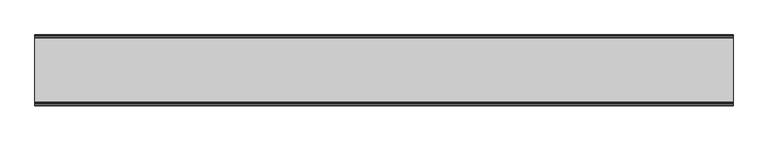
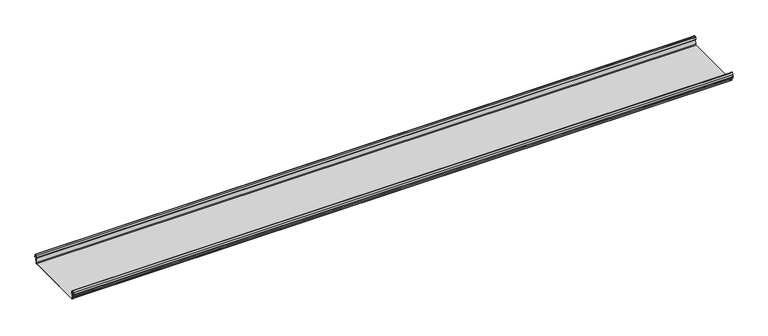
"""IFC4 building model written with IfcOpenShell, lengths in millimetres: beam geometry."""

from ifc_helpers import new_model, si_unit, frame, origin, place, context, project, spatial, polyline, circle_curve, source, transform, mapped, element, save
from ifc_brep_helpers import plane_surface, cylinder_surface, revolved_surface, advanced_brep


def beam_a1f482e0(model_context):
    return source(origin(), model_context, "Body", "AdvancedBrep", [
        advanced_brep(
        [(1741.7754367, 174.5298471, 17.4730576), (1741.7754367, 169.9958217, 21.2486363), (1741.7754367, 165.4890072, 17.6093124), (1741.7754367, 163.0420077, 6.2503755), (1741.7754367, 164.7006671, 3.7959761), (1741.7754367, 165.8698319, 2.0849359), (1741.7754367, 164.3793103, -21.3247551), (1741.7754367, 160.6848586, -24.7896475), (1741.7754367, -159.5640942, -24.7896475), (1741.7754367, -163.2568715, -21.3207217), (1741.7754367, -164.7263748, 2.1632779), (1741.7754367, -164.0984471, 3.0966958), (1741.7754367, -161.8868093, 6.1624874), (1741.7754367, -162.770348, 17.3389905), (1741.7754367, -170.0, 24.0196704), (1741.7754367, -177.229652, 17.3389905), (1741.7754367, -178.1131907, 6.1624874), (1741.7754367, -175.9015529, 3.0966958), (1741.7754367, -175.2736252, 2.1632779), (1741.7754367, -175.6653397, -4.0966758), (1741.7754367, -174.6633838, -4.0966758), (1741.7754367, -174.255975, 2.4140875), (1741.7754367, -175.661391, 4.0675496), (1741.7754367, -177.1158116, 6.08368), (1741.7754367, -176.2261211, 17.3379999), (1741.7754367, -170.0, 23.0196704), (1741.7754367, -163.767144, 17.2589936), (1741.7754367, -162.8795452, 6.0037927), (1741.7754367, -164.338609, 4.0675496), (1741.7754367, -165.744025, 2.4140875), (1741.7754367, -164.2549195, -21.3831743), (1741.7754367, -159.5640942, -25.7896475), (1741.7754367, 160.6846135, -25.7896475), (1741.7754367, 165.3772895, -21.3882975), (1741.7754367, 166.868024, 2.0247376), (1741.7754367, 164.9644432, 4.7613501), (1741.7754367, 164.0277999, 6.0779003), (1741.7754367, 166.4434849, 17.2822335), (1741.7754367, 170.0063307, 20.2496221), (1741.7754367, 173.4803249, 17.6539317), (1741.7754367, 175.5075757, 6.5459412), (1741.7754367, 176.5074356, 6.7299959), (-1741.7754367, 174.5298471, 17.4730576), (-1741.7754367, 176.5074356, 6.7299959), (-1741.7754367, 175.5075757, 6.5459412), (-1741.7754367, 173.4803249, 17.6539317), (-1741.7754367, 170.0063307, 20.2496221), (-1741.7754367, 166.4434849, 17.2822335), (-1741.7754367, 164.0277999, 6.0779003), (-1741.7754367, 164.9644432, 4.7613501), (-1741.7754367, 166.868024, 2.0247376), (-1741.7754367, 165.3772895, -21.3882975), (-1741.7754367, 160.6846135, -25.7896475), (-1741.7754367, -159.5640942, -25.7896475), (-1741.7754367, -164.2549195, -21.3831743), (-1741.7754367, -165.744025, 2.4140875), (-1741.7754367, -164.338609, 4.0675496), (-1741.7754367, -162.8795452, 6.0037927), (-1741.7754367, -163.767144, 17.2589936), (-1741.7754367, -170.0, 23.0196704), (-1741.7754367, -176.2261211, 17.3379999), (-1741.7754367, -177.1158116, 6.08368), (-1741.7754367, -175.661391, 4.0675496), (-1741.7754367, -174.255975, 2.4140875), (-1741.7754367, -174.6633838, -4.0966758), (-1741.7754367, -175.6653397, -4.0966758), (-1741.7754367, -175.2736252, 2.1632779), (-1741.7754367, -175.9015529, 3.0966958), (-1741.7754367, -178.1066021, 6.2458324), (-1741.7754367, -177.229652, 17.3389905), (-1741.7754367, -170.0, 24.0196704), (-1741.7754367, -162.770348, 17.3389905), (-1741.7754367, -161.8868093, 6.1624874), (-1741.7754367, -164.0984471, 3.0966958), (-1741.7754367, -164.7263748, 2.1632779), (-1741.7754367, -163.2568715, -21.3207217), (-1741.7754367, -159.5640942, -24.7896475), (-1741.7754367, 160.6848586, -24.7896475), (-1741.7754367, 164.3793103, -21.3247551), (-1741.7754367, 165.8698319, 2.0849359), (-1741.7754367, 164.7006671, 3.7959761), (-1741.7754367, 163.0420077, 6.2503755), (-1741.7754367, 165.4890072, 17.6093124), (-1741.7754367, 169.9958217, 21.2486363)],
        [
            (0, 1, circle_curve(frame((1741.7754367, 169.9958217, 16.6384317), z_axis=(1.0, 0.0, 0.0), x_axis=(0.0, 1.0, 0.0)), 4.6102046)),
            (1, 2, circle_curve(frame((1741.7754367, 169.9958217, 16.6384317), z_axis=(1.0, 0.0, 0.0), x_axis=(0.0, 0.2105938444020083, 0.9775736456656259)), 4.6102046)),
            (2, 3),
            (3, 4, circle_curve(frame((1741.7754367, 165.4262002, 6.073937), z_axis=(1.0, 0.0, 0.0), x_axis=(0.0, -0.9528378408797884, 0.30347989881958104)), 2.3907121)),
            (4, 5, circle_curve(frame((1741.7754367, 164.1897695, 2.1919074), z_axis=(-1.0, 0.0, 0.0), x_axis=(0.0, 0.06354246328302078, 0.9979791357337717)), 1.6834645)),
            (5, 6),
            (6, 7, circle_curve(frame((1741.7754367, 160.6867875, -21.089648), z_axis=(-1.0, 0.0, 0.0), x_axis=(0.0, 0.9999998641088232, -0.0005213274739325337)), 3.7)),
            (7, 8),
            (8, 9, circle_curve(frame((1741.7754367, -159.5640942, -21.0896475), z_axis=(-1.0, 0.0, 0.0), x_axis=(0.0, 0.062452508687223206, -0.9980479368039755)), 3.7)),
            (9, 10),
            (10, 11, circle_curve(frame((1741.7754367, -163.8044049, 2.2209698), z_axis=(-1.0, 0.0, 0.0), x_axis=(0.0, -0.9479881328261025, -0.31830567073314897)), 0.9237732)),
            (11, 12, circle_curve(frame((1741.7754367, -164.7984694, 5.9323112), z_axis=(1.0, 0.0, 0.0), x_axis=(0.0, 0.07880737243916666, -0.9968898625471294)), 2.9207441)),
            (12, 13),
            (13, 14, circle_curve(frame((1741.7754367, -170.0, 16.7674631), z_axis=(1.0, 0.0, 0.0), x_axis=(0.0, 1.0, 0.0)), 7.2522073)),
            (14, 15, circle_curve(frame((1741.7754367, -170.0, 16.7674631), z_axis=(1.0, 0.0, 0.0), x_axis=(0.0, 0.07880737243912425, 0.9968898625471327)), 7.2522073)),
            (15, 16),
            (16, 17, circle_curve(frame((1741.7754367, -175.2001089, 5.9344165), z_axis=(1.0, 0.0, 0.0), x_axis=(0.0, -0.9707819351134729, 0.2399634023290655)), 2.9231288)),
            (17, 18, circle_curve(frame((1741.7754367, -176.1025472, 2.2835649), z_axis=(-1.0, 0.0, 0.0), x_axis=(0.0, 0.14360843272178178, 0.9896345881441257)), 0.8376041)),
            (18, 19),
            (19, 20, circle_curve(frame((1741.7754367, -175.1643617, -4.0966758), z_axis=(1.0, 0.0, 0.0), x_axis=(0.0, 0.0, -1.0)), 0.5009779)),
            (20, 21),
            (21, 22, circle_curve(frame((1741.7754367, -176.1062911, 2.2653702), z_axis=(1.0, 0.0, 0.0), x_axis=(0.0, 0.9708537722163966, -0.23967259537375799)), 1.856283)),
            (22, 23, circle_curve(frame((1741.7754367, -175.2010412, 5.9323112), z_axis=(-1.0, 0.0, 0.0), x_axis=(0.0, -0.07880737243914376, -0.9968898625471312)), 1.9207441)),
            (23, 24),
            (24, 25, circle_curve(frame((1741.7754367, -170.0770494, 16.8518958), z_axis=(-1.0, 0.0, 0.0), x_axis=(0.0, -0.9999219808421378, 0.012491286112139365)), 6.1682558)),
            (25, 26, circle_curve(frame((1741.7754367, -170.0791743, 16.6817991), z_axis=(-1.0, 0.0, 0.0), x_axis=(0.0, -0.09106361391821856, 0.9958450774192508)), 6.3383658)),
            (26, 27),
            (27, 28, circle_curve(frame((1741.7754367, -164.70299, 5.8599936), z_axis=(-1.0, 0.0, 0.0), x_axis=(0.0, 0.9799562955839813, 0.19921259685401593)), 1.8291061)),
            (28, 29, circle_curve(frame((1741.7754367, -163.9886548, 2.3460727), z_axis=(1.0, 0.0, 0.0), x_axis=(0.0, 0.03871763325448635, 0.9992501913310655)), 1.7566874)),
            (29, 30),
            (30, 31, circle_curve(frame((1741.7754367, -159.5640942, -21.0896475), z_axis=(1.0, 0.0, 0.0), x_axis=(0.0, -1.0, 0.0)), 4.7)),
            (31, 32),
            (32, 33, circle_curve(frame((1741.7754367, 160.6846135, -21.0873301), z_axis=(1.0, 0.0, 0.0), x_axis=(0.0, -0.06400407594283139, -0.997949637137418)), 4.7023174)),
            (33, 34),
            (34, 35, circle_curve(frame((1741.7754367, 164.1939121, 2.1950013), z_axis=(1.0, 0.0, 0.0), x_axis=(0.0, 0.9577619201002135, -0.2875623487279797)), 2.6795268)),
            (35, 36, circle_curve(frame((1741.7754367, 165.0972859, 5.8473161), z_axis=(-1.0, 0.0, 0.0), x_axis=(0.0, -0.210759855052358, -0.9775378680635902)), 1.094061)),
            (36, 37),
            (37, 38, circle_curve(frame((1741.7754367, 170.0063307, 16.627032), z_axis=(-1.0, 0.0, 0.0), x_axis=(0.0, -1.0, 0.0)), 3.6225901)),
            (38, 39, circle_curve(frame((1741.7754367, 170.0063307, 16.627032), z_axis=(-1.0, 0.0, 0.0), x_axis=(0.0, -0.2834711363957483, 0.9589807687490417)), 3.6225901)),
            (39, 40),
            (40, 41, circle_curve(frame((1741.7754367, 176.0075057, 6.6379685), z_axis=(1.0, 0.0, 0.0), x_axis=(0.0, 0.18103878268247353, -0.9834759575937014)), 0.5083296)),
            (41, 0),
            (42, 43),
            (43, 44, circle_curve(frame((-1741.7754367, 176.0075057, 6.6379685), z_axis=(-1.0, 0.0, 0.0), x_axis=(0.0, 0.18103878268247353, -0.9834759575937014)), 0.5083296)),
            (44, 45),
            (45, 46, circle_curve(frame((-1741.7754367, 170.0063307, 16.627032), z_axis=(1.0, 0.0, 0.0), x_axis=(0.0, -0.2834711363957483, 0.9589807687490417)), 3.6225901)),
            (46, 47, circle_curve(frame((-1741.7754367, 170.0063307, 16.627032), z_axis=(1.0, 0.0, 0.0), x_axis=(0.0, -1.0, 0.0)), 3.6225901)),
            (47, 48),
            (48, 49, circle_curve(frame((-1741.7754367, 165.0972859, 5.8473161), z_axis=(1.0, 0.0, 0.0), x_axis=(0.0, -0.210759855052358, -0.9775378680635902)), 1.094061)),
            (49, 50, circle_curve(frame((-1741.7754367, 164.1939121, 2.1950013), z_axis=(-1.0, 0.0, 0.0), x_axis=(0.0, 0.9577619201002135, -0.2875623487279797)), 2.6795268)),
            (50, 51),
            (51, 52, circle_curve(frame((-1741.7754367, 160.6846135, -21.0873301), z_axis=(-1.0, 0.0, 0.0), x_axis=(0.0, -0.06400407594283139, -0.997949637137418)), 4.7023174)),
            (52, 53),
            (53, 54, circle_curve(frame((-1741.7754367, -159.5640942, -21.0896475), z_axis=(-1.0, 0.0, 0.0), x_axis=(0.0, -1.0, 0.0)), 4.7)),
            (54, 55),
            (55, 56, circle_curve(frame((-1741.7754367, -163.9886548, 2.3460727), z_axis=(-1.0, 0.0, 0.0), x_axis=(0.0, 0.03871763325448635, 0.9992501913310655)), 1.7566874)),
            (56, 57, circle_curve(frame((-1741.7754367, -164.70299, 5.8599936), z_axis=(1.0, 0.0, 0.0), x_axis=(0.0, 0.9799562955839813, 0.19921259685401593)), 1.8291061)),
            (57, 58),
            (58, 59, circle_curve(frame((-1741.7754367, -170.0791743, 16.6817991), z_axis=(1.0, 0.0, 0.0), x_axis=(0.0, -0.09106361391821856, 0.9958450774192508)), 6.3383658)),
            (59, 60, circle_curve(frame((-1741.7754367, -170.0770494, 16.8518958), z_axis=(1.0, 0.0, 0.0), x_axis=(0.0, -0.9999219808421378, 0.012491286112139365)), 6.1682558)),
            (60, 61),
            (61, 62, circle_curve(frame((-1741.7754367, -175.2010412, 5.9323112), z_axis=(1.0, 0.0, 0.0), x_axis=(0.0, -0.07880737243914376, -0.9968898625471312)), 1.9207441)),
            (62, 63, circle_curve(frame((-1741.7754367, -176.1062911, 2.2653702), z_axis=(-1.0, 0.0, 0.0), x_axis=(0.0, 0.9708537722163966, -0.23967259537375799)), 1.856283)),
            (63, 64),
            (64, 65, circle_curve(frame((-1741.7754367, -175.1643617, -4.0966758), z_axis=(-1.0, 0.0, 0.0), x_axis=(0.0, 0.0, -1.0)), 0.5009779)),
            (65, 66),
            (66, 67, circle_curve(frame((-1741.7754367, -176.1025472, 2.2835649), z_axis=(1.0, 0.0, 0.0), x_axis=(0.0, 0.14360843272178178, 0.9896345881441257)), 0.8376041)),
            (67, 68, circle_curve(frame((-1741.7754367, -175.2001089, 5.9344165), z_axis=(-1.0, 0.0, 0.0), x_axis=(0.0, -0.9707819351134729, 0.2399634023290655)), 2.9231288)),
            (68, 69),
            (69, 70, circle_curve(frame((-1741.7754367, -170.0, 16.7674631), z_axis=(-1.0, 0.0, 0.0), x_axis=(0.0, 0.07880737243912425, 0.9968898625471327)), 7.2522073)),
            (70, 71, circle_curve(frame((-1741.7754367, -170.0, 16.7674631), z_axis=(-1.0, 0.0, 0.0), x_axis=(0.0, 1.0, 0.0)), 7.2522073)),
            (71, 72),
            (72, 73, circle_curve(frame((-1741.7754367, -164.7984694, 5.9323112), z_axis=(-1.0, 0.0, 0.0), x_axis=(0.0, 0.07880737243916666, -0.9968898625471294)), 2.9207441)),
            (73, 74, circle_curve(frame((-1741.7754367, -163.8044049, 2.2209698), z_axis=(1.0, 0.0, 0.0), x_axis=(0.0, -0.9479881328261025, -0.31830567073314897)), 0.9237732)),
            (74, 75),
            (75, 76, circle_curve(frame((-1741.7754367, -159.5640942, -21.0896475), z_axis=(1.0, 0.0, 0.0), x_axis=(0.0, 0.062452508687223206, -0.9980479368039755)), 3.7)),
            (76, 77),
            (77, 78, circle_curve(frame((-1741.7754367, 160.6867875, -21.089648), z_axis=(1.0, 0.0, 0.0), x_axis=(0.0, 0.9999998641088232, -0.0005213274739325337)), 3.7)),
            (78, 79),
            (79, 80, circle_curve(frame((-1741.7754367, 164.1897695, 2.1919074), z_axis=(1.0, 0.0, 0.0), x_axis=(0.0, 0.06354246328302078, 0.9979791357337717)), 1.6834645)),
            (80, 81, circle_curve(frame((-1741.7754367, 165.4262002, 6.073937), z_axis=(-1.0, 0.0, 0.0), x_axis=(0.0, -0.9528378408797884, 0.30347989881958104)), 2.3907121)),
            (81, 82),
            (82, 83, circle_curve(frame((-1741.7754367, 169.9958217, 16.6384317), z_axis=(-1.0, 0.0, 0.0), x_axis=(0.0, 0.2105938444020083, 0.9775736456656259)), 4.6102046)),
            (83, 42, circle_curve(frame((-1741.7754367, 169.9958217, 16.6384317), z_axis=(-1.0, 0.0, 0.0), x_axis=(0.0, 1.0, 0.0)), 4.6102046)),
            (42, 0),
            (41, 43),
            (40, 44),
            (39, 45),
            (38, 46),
            (37, 47),
            (36, 48),
            (35, 49),
            (34, 50),
            (33, 51),
            (32, 52),
            (31, 53),
            (30, 54),
            (29, 55),
            (28, 56),
            (27, 57),
            (26, 58),
            (25, 59),
            (24, 60),
            (23, 61),
            (22, 62),
            (21, 63),
            (20, 64),
            (19, 65),
            (18, 66),
            (17, 67),
            (16, 68),
            (15, 69),
            (14, 70),
            (13, 71),
            (12, 72),
            (11, 73),
            (10, 74),
            (9, 75),
            (8, 76),
            (7, 77),
            (6, 78),
            (5, 79),
            (4, 80),
            (3, 81),
            (2, 82),
            (1, 83),
        ],
        [
            plane_surface(frame((1741.7754367, 176.5074356, 6.7299959), z_axis=(1.0000000000000002, 0.0, 0.0), x_axis=(0.0, -0.18103878268248824, 0.9834759575936989))),
            plane_surface(frame((-1741.7754367, 176.5074356, 6.7299959), z_axis=(-1.0000000000000002, 0.0, 0.0), x_axis=(0.0, 0.18103878268248824, -0.9834759575936989))),
            plane_surface(frame((1741.7754367, 175.5186413, 12.1015267), z_axis=(0.0, 0.9834759575937931, 0.18103878268197598), x_axis=(0.0, 0.18103878268197598, -0.9834759575937931))),
            cylinder_surface(frame((1741.7754367, 176.0075057, 6.6379685), z_axis=(-1.0, 0.0, 0.0), x_axis=(0.0, 0.18103878268247353, -0.9834759575937014)), 0.5083296),
            plane_surface(frame((1741.7754367, 174.4939503, 12.0999365), z_axis=(0.0, -0.9837509798366516, -0.17953832368168063), x_axis=(0.0, -0.17953832368168063, 0.9837509798366516))),
            revolved_surface(polyline([(-1741.7754367, 168.979430967657, 20.101026238960667), (1741.7754367, 168.979430967657, 20.101026238960667)]), (1741.7754367, 170.0063307, 16.627032), (-1.0, 0.0, 0.0)),
            revolved_surface(polyline([(-1741.7754367, 166.3837406, 16.627032), (1741.7754367, 166.3837406, 16.627032)]), (1741.7754367, 170.0063307, 16.627032), (-1.0, 0.0, 0.0)),
            plane_surface(frame((1741.7754367, 165.2356424, 11.6800669), z_axis=(0.0, 0.9775378680634891, -0.2107598550528272), x_axis=(0.0, -0.2107598550528272, -0.9775378680634891))),
            revolved_surface(polyline([(-1741.7754367, 164.86670176222157, 4.77783004252848), (1741.7754367, 164.86670176222157, 4.77783004252848)]), (1741.7754367, 165.0972859, 5.8473161), (-1.0, 0.0, 0.0)),
            cylinder_surface(frame((1741.7754367, 164.1939121, 2.1950013), z_axis=(-1.0, 0.0, 0.0), x_axis=(0.0, 0.9577619201002135, -0.2875623487279797)), 2.6795268),
            plane_surface(frame((1741.7754367, 166.1226567, -9.68178), z_axis=(0.0, 0.9979791357337514, -0.06354246328334037), x_axis=(0.0, -0.06354246328334037, -0.9979791357337514))),
            cylinder_surface(frame((1741.7754367, 160.6846135, -21.0873301), z_axis=(-1.0, 0.0, 0.0), x_axis=(0.0, -0.06400407594283139, -0.997949637137418)), 4.7023174),
            plane_surface(frame((1741.7754367, 0.5602597, -25.7896475), z_axis=(0.0, 0.0, -1.0), x_axis=(0.0, -1.0, 0.0))),
            cylinder_surface(frame((1741.7754367, -159.5640942, -21.0896475), z_axis=(-1.0, 0.0, 0.0), x_axis=(0.0, -1.0, 0.0)), 4.7),
            plane_surface(frame((1741.7754367, -164.9994722, -9.4845434), z_axis=(0.0, -0.99804793680396, -0.06245250868747398), x_axis=(0.0, -0.06245250868747398, 0.99804793680396))),
            cylinder_surface(frame((1741.7754367, -163.9886548, 2.3460727), z_axis=(-1.0, 0.0, 0.0), x_axis=(0.0, 0.03871763325448635, 0.9992501913310655)), 1.7566874),
            revolved_surface(polyline([(-1741.7754367, -162.91054596201394, 6.224374576102521), (1741.7754367, -162.91054596201394, 6.224374576102521)]), (1741.7754367, -164.70299, 5.8599936), (-1.0, 0.0, 0.0)),
            plane_surface(frame((1741.7754367, -163.3233446, 11.6313931), z_axis=(0.0, -0.9969048840807634, -0.07861712342689589), x_axis=(0.0, -0.07861712342689589, 0.9969048840807634))),
            revolved_surface(polyline([(-1741.7754367, -170.65636879608365, 22.99382948081253), (1741.7754367, -170.65636879608365, 22.99382948081253)]), (1741.7754367, -170.0791743, 16.6817991), (-1.0, 0.0, 0.0)),
            revolved_surface(polyline([(-1741.7754367, -176.244823957877, 16.928945248010663), (1741.7754367, -176.244823957877, 16.928945248010663)]), (1741.7754367, -170.0770494, 16.8518958), (-1.0, 0.0, 0.0)),
            plane_surface(frame((1741.7754367, -176.6709664, 11.71084), z_axis=(0.0, 0.9968898625470921, -0.07880737243963815), x_axis=(0.0, -0.07880737243963815, -0.9968898625470921))),
            revolved_surface(polyline([(-1741.7754367, -175.35240999564897, 4.017540878162787), (1741.7754367, -175.35240999564897, 4.017540878162787)]), (1741.7754367, -175.2010412, 5.9323112), (-1.0, 0.0, 0.0)),
            cylinder_surface(frame((1741.7754367, -176.1062911, 2.2653702), z_axis=(-1.0, 0.0, 0.0), x_axis=(0.0, 0.9708537722163966, -0.23967259537375799)), 1.856283),
            plane_surface(frame((1741.7754367, -174.4596794, -0.8412941), z_axis=(0.0, 0.9980479368039222, -0.06245250868807452), x_axis=(0.0, -0.06245250868807452, -0.9980479368039222))),
            cylinder_surface(frame((1741.7754367, -175.1643617, -4.0966758), z_axis=(-1.0, 0.0, 0.0), x_axis=(0.0, 0.0, -1.0)), 0.5009779),
            plane_surface(frame((1741.7754367, -175.4694824, -0.9666989), z_axis=(0.0, -0.9980479368040358, 0.06245250868626084), x_axis=(0.0, 0.06245250868626084, 0.9980479368040358))),
            revolved_surface(polyline([(-1741.7754367, -175.98226018795768, 3.112486888531331), (1741.7754367, -175.98226018795768, 3.112486888531331)]), (1741.7754367, -176.1025472, 2.2835649), (-1.0, 0.0, 0.0)),
            cylinder_surface(frame((1741.7754367, -175.2001089, 5.9344165), z_axis=(-1.0, 0.0, 0.0), x_axis=(0.0, -0.9707819351134729, 0.2399634023290655)), 2.9231288),
            plane_surface(frame((1741.7754367, -177.6714214, 11.7507389), z_axis=(0.0, -0.9968898625471735, 0.07880737243860966), x_axis=(0.0, 0.07880737243860966, 0.9968898625471735))),
            cylinder_surface(frame((1741.7754367, -170.0, 16.7674631), z_axis=(-1.0, 0.0, 0.0), x_axis=(0.0, 0.07880737243912425, 0.9968898625471327)), 7.2522073),
            cylinder_surface(frame((1741.7754367, -170.0, 16.7674631), z_axis=(-1.0, 0.0, 0.0), x_axis=(0.0, 1.0, 0.0)), 7.2522073),
            plane_surface(frame((1741.7754367, -162.3285786, 11.7507389), z_axis=(0.0, 0.9968898625471712, 0.07880737243863836), x_axis=(0.0, 0.07880737243863836, -0.9968898625471712))),
            cylinder_surface(frame((1741.7754367, -164.7984694, 5.9323112), z_axis=(-1.0, 0.0, 0.0), x_axis=(0.0, 0.07880737243916666, -0.9968898625471294)), 2.9207441),
            revolved_surface(polyline([(-1741.7754367, -164.6801309310228, 1.9269275519686928), (1741.7754367, -164.6801309310228, 1.9269275519686928)]), (1741.7754367, -163.8044049, 2.2209698), (-1.0, 0.0, 0.0)),
            plane_surface(frame((1741.7754367, -163.9916232, -9.5787219), z_axis=(0.0, 0.9980479368039906, 0.0624525086869835), x_axis=(0.0, 0.0624525086869835, -0.9980479368039906))),
            revolved_surface(polyline([(-1741.7754367, -159.33301991785729, -24.78242486617471), (1741.7754367, -159.33301991785729, -24.78242486617471)]), (1741.7754367, -159.5640942, -21.0896475), (-1.0, 0.0, 0.0)),
            plane_surface(frame((1741.7754367, 0.5603822, -24.7896475), z_axis=(0.0, 0.0, 1.0), x_axis=(0.0, 1.0, 0.0))),
            revolved_surface(polyline([(-1741.7754367, 164.38678699720265, -21.09157691165355), (1741.7754367, 164.38678699720265, -21.09157691165355)]), (1741.7754367, 160.6867875, -21.089648), (-1.0, 0.0, 0.0)),
            plane_surface(frame((1741.7754367, 165.1245711, -9.6199096), z_axis=(0.0, -0.9979791357337828, 0.06354246328284598), x_axis=(0.0, 0.06354246328284598, 0.9979791357337828))),
            revolved_surface(polyline([(-1741.7754367, 164.29674098117954, 3.871969846748486), (1741.7754367, 164.29674098117954, 3.871969846748486)]), (1741.7754367, 164.1897695, 2.1919074), (-1.0, 0.0, 0.0)),
            cylinder_surface(frame((1741.7754367, 165.4262002, 6.073937), z_axis=(-1.0, 0.0, 0.0), x_axis=(0.0, -0.9528378408797884, 0.30347989881958104)), 2.3907121),
            plane_surface(frame((1741.7754367, 164.2655075, 11.929844), z_axis=(0.0, -0.9775736456657296, 0.21059384440152715), x_axis=(0.0, 0.21059384440152715, 0.9775736456657296))),
            cylinder_surface(frame((1741.7754367, 169.9958217, 16.6384317), z_axis=(-1.0, 0.0, 0.0), x_axis=(0.0, 0.2105938444020083, 0.9775736456656259)), 4.6102046),
            cylinder_surface(frame((1741.7754367, 169.9958217, 16.6384317), z_axis=(-1.0, 0.0, 0.0), x_axis=(0.0, 1.0, 0.0)), 4.6102046),
        ],
        [
            (0, [[1, 2, 3, 4, 5, 6, 7, 8, 9, 10, 11, 12, 13, 14, 15, 16, 17, 18, 19, 20, 21, 22, 23, 24, 25, 26, 27, 28, 29, 30, 31, 32, 33, 34, 35, 36, 37, 38, 39, 40, 41, 42]]),
            (1, [[43, 44, 45, 46, 47, 48, 49, 50, 51, 52, 53, 54, 55, 56, 57, 58, 59, 60, 61, 62, 63, 64, 65, 66, 67, 68, 69, 70, 71, 72, 73, 74, 75, 76, 77, 78, 79, 80, 81, 82, 83, 84]]),
            (2, [[-43, 85, -42, 86]]),
            (3, [[-44, -86, -41, 87]]),
            (4, [[-45, -87, -40, 88]]),
            (5, [[-46, -88, -39, 89]]),
            (6, [[-47, -89, -38, 90]]),
            (7, [[-48, -90, -37, 91]]),
            (8, [[-49, -91, -36, 92]]),
            (9, [[-50, -92, -35, 93]]),
            (10, [[-51, -93, -34, 94]]),
            (11, [[-52, -94, -33, 95]]),
            (12, [[-53, -95, -32, 96]]),
            (13, [[-54, -96, -31, 97]]),
            (14, [[-55, -97, -30, 98]]),
            (15, [[-56, -98, -29, 99]]),
            (16, [[-57, -99, -28, 100]]),
            (17, [[-58, -100, -27, 101]]),
            (18, [[-59, -101, -26, 102]]),
            (19, [[-60, -102, -25, 103]]),
            (20, [[-61, -103, -24, 104]]),
            (21, [[-62, -104, -23, 105]]),
            (22, [[-63, -105, -22, 106]]),
            (23, [[-64, -106, -21, 107]]),
            (24, [[-65, -107, -20, 108]]),
            (25, [[-66, -108, -19, 109]]),
            (26, [[-67, -109, -18, 110]]),
            (27, [[-68, -110, -17, 111]]),
            (28, [[-69, -111, -16, 112]]),
            (29, [[-70, -112, -15, 113]]),
            (30, [[-71, -113, -14, 114]]),
            (31, [[-72, -114, -13, 115]]),
            (32, [[-73, -115, -12, 116]]),
            (33, [[-74, -116, -11, 117]]),
            (34, [[-75, -117, -10, 118]]),
            (35, [[-76, -118, -9, 119]]),
            (36, [[-77, -119, -8, 120]]),
            (37, [[-78, -120, -7, 121]]),
            (38, [[-79, -121, -6, 122]]),
            (39, [[-80, -122, -5, 123]]),
            (40, [[-81, -123, -4, 124]]),
            (41, [[-82, -124, -3, 125]]),
            (42, [[-83, -125, -2, 126]]),
            (43, [[-84, -126, -1, -85]]),
        ],
    ),
    ])


if __name__ == "__main__":
    model = new_model("IFC4")
    model_context = context("Model", 3, world=origin())
    ifc_project = project(units=[si_unit("LENGTHUNIT", "METRE", prefix="MILLI")], contexts=[model_context])
    site = spatial("IfcSite", under=ifc_project)
    building = spatial("IfcBuilding", under=site)
    placement = place(None, origin())
    beam_shape = beam_a1f482e0(model_context)
    element("IfcBeam", 1, at=placement, inside=building, context=model_context, shape_type="MappedRepresentation", body=[
        mapped(beam_shape, transform((0.0, 0.0, 0.0), x_axis=(1.0, 0.0, 0.0), y_axis=(0.0, 1.0, 0.0), z_axis=(0.0, 0.0, 1.0))),
    ])
    save(model, "model.ifc")
